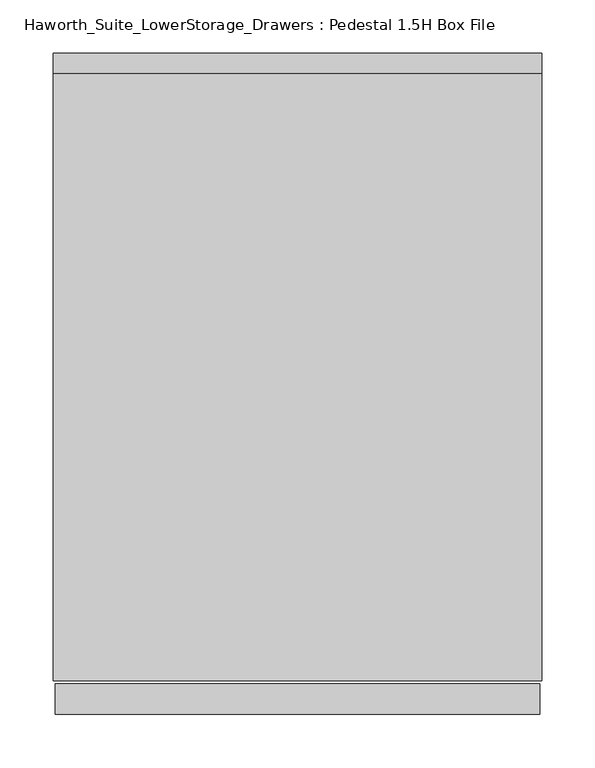
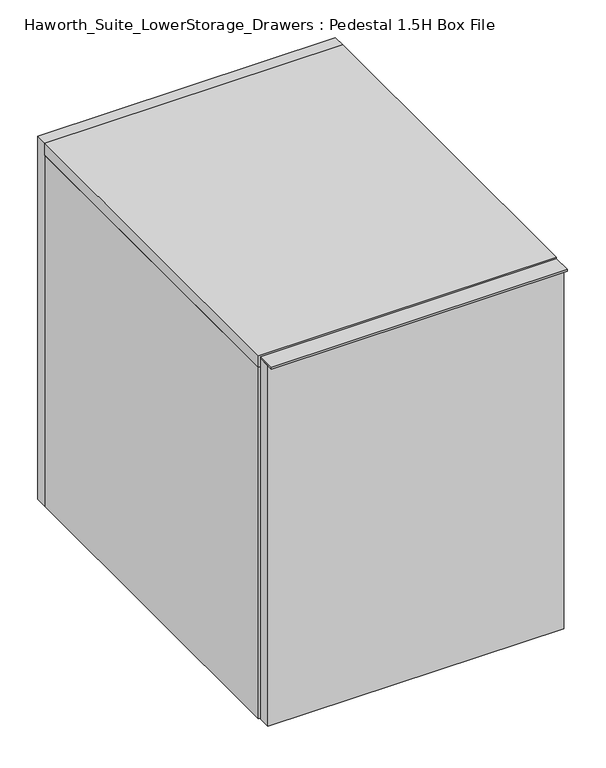
"""IFC4 building model written with IfcOpenShell, lengths in millimetres: furniture geometry, Haworth_Suite_LowerStorage_Drawers : Pedestal 1.5H Box File."""

from ifc_helpers import new_model, si_unit, frame, origin, origin_with_axes, place, context, project, spatial, polyline, outline, extrude, source, transform, mapped, element, save


def haworth_suite_lowerstorage_drawers_pedestal_1_5h_box_file_91f57d6a(model_context):
    return source(origin(), model_context, "Body", "SweptSolid", [
        extrude(outline(polyline([(214.3125, -631.825), (-239.7125, -631.825), (-239.7125, -603.25), (214.3125, -603.25), (214.3125, -631.825)])), frame((0.0, 0.0, 585.7875), z_axis=(0.0, 0.0, 1.0), x_axis=(1.0, 0.0, 0.0)), (0.0, 0.0, 1.0), 3.175),
        extrude(outline(polyline([(214.3125, -603.25), (214.3125, -622.3), (-239.7125, -622.3), (-239.7125, -603.25), (214.3125, -603.25)])), origin_with_axes(), (0.0, 0.0, 1.0), 585.7875),
        extrude(outline(polyline([(177.8, -587.375), (177.8, -206.375), (190.5, -206.375), (190.5, -587.375), (177.8, -587.375)])), frame((0.0, 0.0, 374.65), z_axis=(0.0, 0.0, 1.0), x_axis=(1.0, 0.0, 0.0)), (0.0, 0.0, 1.0), 101.6),
        extrude(outline(polyline([(-215.9, -206.375), (-203.2, -206.375), (-203.2, -587.375), (-215.9, -587.375), (-215.9, -206.375)])), frame((0.0, 0.0, 374.65), z_axis=(0.0, 0.0, 1.0), x_axis=(1.0, 0.0, 0.0)), (0.0, 0.0, 1.0), 101.6),
        extrude(outline(polyline([(-215.9, -206.375), (-215.9, -193.675), (190.5, -193.675), (190.5, -206.375), (-215.9, -206.375)])), frame((0.0, 0.0, 374.65), z_axis=(0.0, 0.0, 1.0), x_axis=(1.0, 0.0, 0.0)), (0.0, 0.0, 1.0), 101.6),
        extrude(outline(polyline([(-215.9, -600.075), (-215.9, -587.375), (190.5, -587.375), (190.5, -600.075), (-215.9, -600.075)])), frame((0.0, 0.0, 374.65), z_axis=(0.0, 0.0, 1.0), x_axis=(1.0, 0.0, 0.0)), (0.0, 0.0, 1.0), 101.6),
        extrude(outline(polyline([(-203.2, -587.375), (-203.2, -206.375), (177.8, -206.375), (177.8, -587.375), (-203.2, -587.375)])), frame((0.0, 0.0, 374.65), z_axis=(0.0, 0.0, 1.0), x_axis=(1.0, 0.0, 0.0)), (0.0, 0.0, 1.0), 12.7),
        extrude(outline(polyline([(177.8, -587.375), (177.8, -206.375), (190.5, -206.375), (190.5, -587.375), (177.8, -587.375)])), frame((0.0, 0.0, 50.8), z_axis=(0.0, 0.0, 1.0), x_axis=(1.0, 0.0, 0.0)), (0.0, 0.0, 1.0), 254.0),
        extrude(outline(polyline([(-215.9, -206.375), (-203.2, -206.375), (-203.2, -587.375), (-215.9, -587.375), (-215.9, -206.375)])), frame((0.0, 0.0, 50.8), z_axis=(0.0, 0.0, 1.0), x_axis=(1.0, 0.0, 0.0)), (0.0, 0.0, 1.0), 254.0),
        extrude(outline(polyline([(-215.9, -206.375), (-215.9, -193.675), (190.5, -193.675), (190.5, -206.375), (-215.9, -206.375)])), frame((0.0, 0.0, 50.8), z_axis=(0.0, 0.0, 1.0), x_axis=(1.0, 0.0, 0.0)), (0.0, 0.0, 1.0), 254.0),
        extrude(outline(polyline([(-215.9, -600.075), (-215.9, -587.375), (190.5, -587.375), (190.5, -600.075), (-215.9, -600.075)])), frame((0.0, 0.0, 50.8), z_axis=(0.0, 0.0, 1.0), x_axis=(1.0, 0.0, 0.0)), (0.0, 0.0, 1.0), 254.0),
        extrude(outline(polyline([(-203.2, -587.375), (-203.2, -206.375), (177.8, -206.375), (177.8, -587.375), (-203.2, -587.375)])), frame((0.0, 0.0, 50.8), z_axis=(0.0, 0.0, 1.0), x_axis=(1.0, 0.0, 0.0)), (0.0, 0.0, 1.0), 12.7),
        extrude(outline(polyline([(215.9, -31.75), (215.9, -600.075), (-241.3, -600.075), (-241.3, -31.75), (215.9, -31.75)])), frame((0.0, 0.0, 569.9125), z_axis=(0.0, 0.0, 1.0), x_axis=(1.0, 0.0, 0.0)), (0.0, 0.0, 1.0), 19.05),
        extrude(outline(polyline([(550.8625, 196.85), (550.8625, -222.25), (38.1, -222.25), (38.1, 196.85), (550.8625, 196.85)]), holes=[polyline([(449.2625, 95.25), (139.7, 95.25), (139.7, -120.65), (449.2625, -120.65), (449.2625, 95.25)])]), frame((0.0, -152.4, 0.0), z_axis=(0.0, 1.0, 0.0), x_axis=(0.0, 0.0, 1.0)), (0.0, 0.0, 1.0), 19.05),
        extrude(outline(polyline([(215.9, -12.7), (215.9, -31.75), (-241.3, -31.75), (-241.3, -12.7), (215.9, -12.7)])), origin_with_axes(), (0.0, 0.0, 1.0), 588.9625),
        extrude(outline(polyline([(196.85, -133.35), (196.85, -501.65), (-222.25, -501.65), (-222.25, -133.35), (196.85, -133.35)])), frame((0.0, 0.0, 550.8625), z_axis=(0.0, 0.0, 1.0), x_axis=(1.0, 0.0, 0.0)), (0.0, 0.0, 1.0), 19.05),
        extrude(outline(polyline([(196.85, -31.75), (196.85, -600.075), (-222.25, -600.075), (-222.25, -31.75), (196.85, -31.75)])), origin_with_axes(), (0.0, 0.0, 1.0), 38.1),
        extrude(outline(polyline([(-222.25, -31.75), (-222.25, -600.075), (-241.3, -600.075), (-241.3, -31.75), (-222.25, -31.75)])), origin_with_axes(), (0.0, 0.0, 1.0), 569.9125),
        extrude(outline(polyline([(215.9, -600.075), (196.85, -600.075), (196.85, -31.75), (215.9, -31.75), (215.9, -600.075)])), origin_with_axes(), (0.0, 0.0, 1.0), 569.9125),
    ])


if __name__ == "__main__":
    model = new_model("IFC4")
    model_context = context("Model", 3, world=origin())
    ifc_project = project(units=[si_unit("LENGTHUNIT", "METRE", prefix="MILLI")], contexts=[model_context])
    site = spatial("IfcSite", under=ifc_project)
    building = spatial("IfcBuilding", under=site)
    placement = place(None, origin())
    haworth_suite_lowerstorage_drawers_pedestal_1_5h_box_file_shape = haworth_suite_lowerstorage_drawers_pedestal_1_5h_box_file_91f57d6a(model_context)
    element("IfcFurniture", 1, ObjectType="Haworth_Suite_LowerStorage_Drawers : Pedestal 1.5H Box File", at=placement, inside=building, context=model_context, shape_type="MappedRepresentation", body=[
        mapped(haworth_suite_lowerstorage_drawers_pedestal_1_5h_box_file_shape, transform((0.0, 0.0, 0.0), x_axis=(1.0, 0.0, 0.0), y_axis=(0.0, 1.0, 0.0), z_axis=(0.0, 0.0, 1.0))),
    ])
    save(model, "model.ifc")
